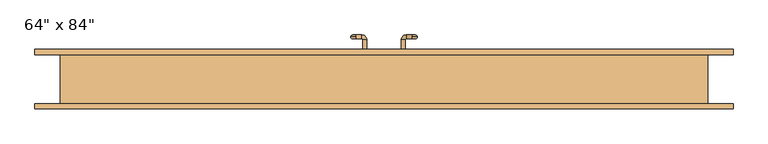
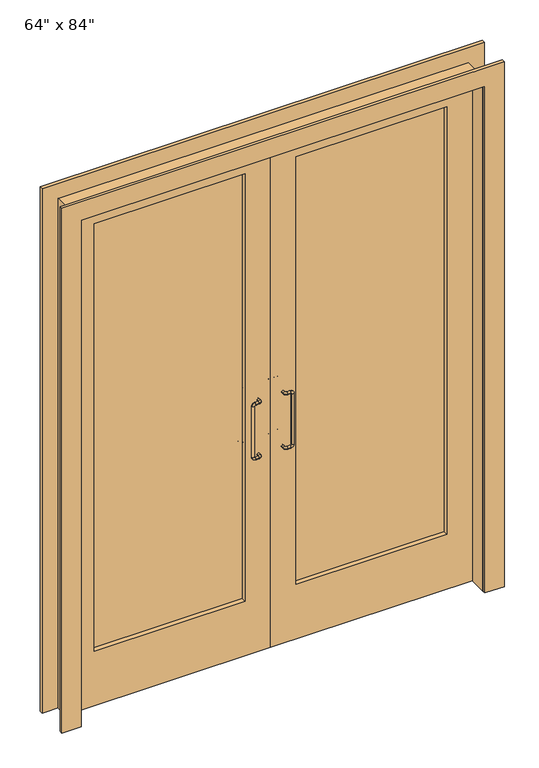
"""IFC4 building model written with IfcOpenShell, lengths in millimetres: door geometry."""

from ifc_helpers import new_model, si_unit, point, frame, origin, place, context, project, spatial, polyline, circle_curve, ellipse_curve, trimmed, outline, extrude, source, transform, mapped, element, save
from ifc_brep_helpers import plane_surface, cylinder_surface, revolved_surface, advanced_brep


def door_99e24913(model_context):
    return source(origin(), model_context, "Body", "SolidModel", [
        advanced_brep(
        [(-83.5, 106.2, 833.5), (-70.5, 106.2, 820.5), (-70.5, 101.2, 825.5), (-70.5, 106.2, 830.5), (-73.5, 106.2, 833.5), (-70.5, 111.2, 825.5), (-73.5, 106.2, 1046.1), (-83.5, 106.2, 1046.1), (-70.5, 106.2, 1049.1), (-70.5, 101.2, 1054.1), (-70.5, 106.2, 1059.1), (-70.5, 111.2, 1054.1), (-43.5, 76.2, 1054.1), (-53.5, 76.2, 1054.1), (-43.5, 99.2, 1054.1), (-53.5, 99.2, 1054.1), (-55.5, 111.2, 1054.1), (-55.5, 101.2, 1054.1), (-43.5, 76.2, 825.5), (-53.5, 76.2, 825.5), (-43.5, 99.2, 825.5), (-53.5, 99.2, 825.5), (-55.5, 111.2, 825.5), (-55.5, 101.2, 825.5)],
        [
            (0, 1, circle_curve(frame((-70.5, 106.2, 833.5), z_axis=(0.0, -1.0, 0.0), x_axis=(0.0, 0.0, -1.0)), 13.0)),
            (1, 2, circle_curve(frame((-70.5, 106.2, 825.5), z_axis=(-1.0, 0.0, 0.0), x_axis=(0.0, 0.0, -1.0)), 5.0)),
            (2, 3, circle_curve(frame((-70.5, 106.2, 825.5), z_axis=(-1.0, 0.0, 0.0), x_axis=(0.0, 0.0, -1.0)), 5.0)),
            (3, 4, circle_curve(frame((-70.5, 106.2, 833.5), z_axis=(0.0, 1.0, 0.0), x_axis=(0.0, 0.0, -1.0)), 3.0)),
            (4, 0, circle_curve(frame((-78.5, 106.2, 833.5), z_axis=(0.0, 0.0, -1.0), x_axis=(-1.0, 0.0, 0.0)), 5.0)),
            (0, 4, circle_curve(frame((-78.5, 106.2, 833.5), z_axis=(0.0, 0.0, -1.0), x_axis=(-1.0, 0.0, 0.0)), 5.0)),
            (3, 5, circle_curve(frame((-70.5, 106.2, 825.5), z_axis=(-1.0, 0.0, 0.0), x_axis=(0.0, 0.0, -1.0)), 5.0)),
            (5, 1, circle_curve(frame((-70.5, 106.2, 825.5), z_axis=(-1.0, 0.0, 0.0), x_axis=(0.0, 0.0, -1.0)), 5.0)),
            (4, 6),
            (6, 7, circle_curve(frame((-78.5, 106.2, 1046.1), z_axis=(0.0, 0.0, -1.0), x_axis=(-1.0, 0.0, 0.0)), 5.0)),
            (7, 0),
            (7, 6, circle_curve(frame((-78.5, 106.2, 1046.1), z_axis=(0.0, 0.0, -1.0), x_axis=(-1.0, 0.0, 0.0)), 5.0)),
            (6, 8, circle_curve(frame((-70.5, 106.2, 1046.1), z_axis=(0.0, 1.0, 0.0), x_axis=(-1.0, 0.0, 0.0)), 3.0)),
            (8, 9, circle_curve(frame((-70.5, 106.2, 1054.1), z_axis=(-1.0, 0.0, 0.0), x_axis=(0.0, 0.0, 1.0)), 5.0)),
            (9, 10, circle_curve(frame((-70.5, 106.2, 1054.1), z_axis=(-1.0, 0.0, 0.0), x_axis=(0.0, 0.0, 1.0)), 5.0)),
            (10, 7, circle_curve(frame((-70.5, 106.2, 1046.1), z_axis=(0.0, -1.0, 0.0), x_axis=(-1.0, 0.0, 0.0)), 13.0)),
            (10, 11, circle_curve(frame((-70.5, 106.2, 1054.1), z_axis=(-1.0, 0.0, 0.0), x_axis=(0.0, 0.0, 1.0)), 5.0)),
            (11, 8, circle_curve(frame((-70.5, 106.2, 1054.1), z_axis=(-1.0, 0.0, 0.0), x_axis=(0.0, 0.0, 1.0)), 5.0)),
            (12, 13, circle_curve(frame((-48.5, 76.2, 1054.1), z_axis=(0.0, -1.0, 0.0), x_axis=(-1.0, 0.0, 0.0)), 5.0)),
            (13, 12, circle_curve(frame((-48.5, 76.2, 1054.1), z_axis=(0.0, -1.0, 0.0), x_axis=(-1.0, 0.0, 0.0)), 5.0)),
            (12, 14),
            (14, 15, circle_curve(frame((-48.5, 99.2, 1054.1), z_axis=(0.0, -1.0, 0.0), x_axis=(-1.0, 0.0, 0.0)), 5.0)),
            (15, 13),
            (15, 14, circle_curve(frame((-48.5, 99.2, 1054.1), z_axis=(0.0, -1.0, 0.0), x_axis=(-1.0, 0.0, 0.0)), 5.0)),
            (14, 16, circle_curve(frame((-55.5, 99.2, 1054.1), z_axis=(0.0, 0.0, 1.0), x_axis=(1.0, 0.0, 0.0)), 12.0)),
            (16, 17, circle_curve(frame((-55.5, 106.2, 1054.1), z_axis=(1.0, 0.0, 0.0), x_axis=(0.0, -1.0, 0.0)), 5.0)),
            (17, 15, circle_curve(frame((-55.5, 99.2, 1054.1), z_axis=(0.0, 0.0, -1.0), x_axis=(1.0, 0.0, 0.0)), 2.0)),
            (17, 16, circle_curve(frame((-55.5, 106.2, 1054.1), z_axis=(1.0, 0.0, 0.0), x_axis=(0.0, -1.0, 0.0)), 5.0)),
            (16, 11),
            (9, 17),
            (18, 19, circle_curve(frame((-48.5, 76.2, 825.5), z_axis=(0.0, -1.0, 0.0), x_axis=(-1.0, 0.0, 0.0)), 5.0)),
            (19, 18, circle_curve(frame((-48.5, 76.2, 825.5), z_axis=(0.0, -1.0, 0.0), x_axis=(-1.0, 0.0, 0.0)), 5.0)),
            (18, 20),
            (20, 21, circle_curve(frame((-48.5, 99.2, 825.5), z_axis=(0.0, -1.0, 0.0), x_axis=(-1.0, 0.0, 0.0)), 5.0)),
            (21, 19),
            (21, 20, circle_curve(frame((-48.5, 99.2, 825.5), z_axis=(0.0, -1.0, 0.0), x_axis=(-1.0, 0.0, 0.0)), 5.0)),
            (20, 22, circle_curve(frame((-55.5, 99.2, 825.5), z_axis=(0.0, 0.0, 1.0), x_axis=(1.0, 0.0, 0.0)), 12.0)),
            (22, 23, circle_curve(frame((-55.5, 106.2, 825.5), z_axis=(1.0, 0.0, 0.0), x_axis=(0.0, -1.0, 0.0)), 5.0)),
            (23, 21, circle_curve(frame((-55.5, 99.2, 825.5), z_axis=(0.0, 0.0, -1.0), x_axis=(1.0, 0.0, 0.0)), 2.0)),
            (23, 22, circle_curve(frame((-55.5, 106.2, 825.5), z_axis=(1.0, 0.0, 0.0), x_axis=(0.0, -1.0, 0.0)), 5.0)),
            (22, 5),
            (2, 23),
        ],
        [
            revolved_surface(trimmed(ellipse_curve(frame((-70.5, 106.2, 825.5), z_axis=(1.0, 0.0, 0.0), x_axis=(0.0, 0.0, -1.0)), 5.0, 5.0), [point((-70.5, 106.2, 830.5))], [point((-70.5, 106.2, 820.5))], True, "CARTESIAN"), (-70.5, 106.2, 833.5), (0.0, 1.0, 0.0)),
            revolved_surface(trimmed(ellipse_curve(frame((-70.5, 106.2, 825.5), z_axis=(1.0, 0.0, 0.0), x_axis=(0.0, 0.0, -1.0)), 5.0, 5.0), [point((-70.5, 106.2, 820.5))], [point((-70.5, 106.2, 830.5))], True, "CARTESIAN"), (-70.5, 106.2, 833.5), (0.0, 1.0, 0.0)),
            cylinder_surface(frame((-78.5, 106.2, 833.5), z_axis=(0.0, 0.0, -1.0), x_axis=(-1.0, 0.0, 0.0)), 5.0),
            revolved_surface(trimmed(ellipse_curve(frame((-78.5, 106.2, 1046.1), z_axis=(0.0, 0.0, -1.0), x_axis=(-1.0, 0.0, 0.0)), 5.0, 5.0), [point((-73.5, 106.2, 1046.1))], [point((-83.5, 106.2, 1046.1))], True, "CARTESIAN"), (-70.5, 106.2, 1046.1), (0.0, 1.0, 0.0)),
            revolved_surface(trimmed(ellipse_curve(frame((-78.5, 106.2, 1046.1), z_axis=(0.0, 0.0, -1.0), x_axis=(-1.0, 0.0, 0.0)), 5.0, 5.0), [point((-83.5, 106.2, 1046.1))], [point((-73.5, 106.2, 1046.1))], True, "CARTESIAN"), (-70.5, 106.2, 1046.1), (0.0, 1.0, 0.0)),
            plane_surface(frame((-48.5, 76.2, 1054.1), z_axis=(0.0, -1.0, 0.0), x_axis=(0.0, 0.0, 1.0))),
            cylinder_surface(frame((-48.5, 76.2, 1054.1), z_axis=(0.0, -1.0, 0.0), x_axis=(-1.0, 0.0, 0.0)), 5.0),
            revolved_surface(trimmed(ellipse_curve(frame((-48.5, 99.2, 1054.1), z_axis=(0.0, -1.0, 0.0), x_axis=(-1.0, 0.0, 0.0)), 5.0, 5.0), [point((-43.5, 99.2, 1054.1))], [point((-53.5, 99.2, 1054.1))], True, "CARTESIAN"), (-55.5, 99.2, 1054.1), (0.0, 0.0, 1.0)),
            revolved_surface(trimmed(ellipse_curve(frame((-48.5, 99.2, 1054.1), z_axis=(0.0, -1.0, 0.0), x_axis=(-1.0, 0.0, 0.0)), 5.0, 5.0), [point((-53.5, 99.2, 1054.1))], [point((-43.5, 99.2, 1054.1))], True, "CARTESIAN"), (-55.5, 99.2, 1054.1), (0.0, 0.0, 1.0)),
            cylinder_surface(frame((-55.5, 106.2, 1054.1), z_axis=(1.0, 0.0, 0.0), x_axis=(0.0, -1.0, 0.0)), 5.0),
            plane_surface(frame((-48.5, 76.2, 825.5), z_axis=(0.0, -1.0, 0.0), x_axis=(0.0, 0.0, 1.0))),
            cylinder_surface(frame((-48.5, 76.2, 825.5), z_axis=(0.0, -1.0, 0.0), x_axis=(-1.0, 0.0, 0.0)), 5.0),
            revolved_surface(trimmed(ellipse_curve(frame((-48.5, 99.2, 825.5), z_axis=(0.0, -1.0, 0.0), x_axis=(-1.0, 0.0, 0.0)), 5.0, 5.0), [point((-43.5, 99.2, 825.5))], [point((-53.5, 99.2, 825.5))], True, "CARTESIAN"), (-55.5, 99.2, 825.5), (0.0, 0.0, 1.0)),
            revolved_surface(trimmed(ellipse_curve(frame((-48.5, 99.2, 825.5), z_axis=(0.0, -1.0, 0.0), x_axis=(-1.0, 0.0, 0.0)), 5.0, 5.0), [point((-53.5, 99.2, 825.5))], [point((-43.5, 99.2, 825.5))], True, "CARTESIAN"), (-55.5, 99.2, 825.5), (0.0, 0.0, 1.0)),
            cylinder_surface(frame((-55.5, 106.2, 825.5), z_axis=(1.0, 0.0, 0.0), x_axis=(0.0, -1.0, 0.0)), 5.0),
        ],
        [
            (0, [[1, 2, 3, 4, 5]]),
            (1, [[-1, 6, -4, 7, 8]]),
            (2, [[-5, 9, 10, 11]]),
            (2, [[-6, -11, 12, -9]]),
            (3, [[-10, 13, 14, 15, 16]]),
            (4, [[-12, -16, 17, 18, -13]]),
            (5, [[19, 20]]),
            (6, [[-19, 21, 22, 23]]),
            (6, [[-20, -23, 24, -21]]),
            (7, [[-22, 25, 26, 27]]),
            (8, [[-24, -27, 28, -25]]),
            (9, [[-26, 29, -17, -15, 30]]),
            (9, [[-28, -30, -14, -18, -29]]),
            (10, [[31, 32]]),
            (11, [[-31, 33, 34, 35]]),
            (11, [[-32, -35, 36, -33]]),
            (12, [[-34, 37, 38, 39]]),
            (13, [[-36, -39, 40, -37]]),
            (14, [[-38, 41, -7, -3, 42]]),
            (14, [[-40, -42, -2, -8, -41]]),
        ],
    ),
        advanced_brep(
        [(83.5, 106.2, 833.5), (73.5, 106.2, 833.5), (70.5, 106.2, 830.5), (70.5, 101.2, 825.5), (70.5, 106.2, 820.5), (70.5, 111.2, 825.5), (83.5, 106.2, 1046.1), (73.5, 106.2, 1046.1), (70.5, 106.2, 1059.1), (70.5, 101.2, 1054.1), (70.5, 106.2, 1049.1), (70.5, 111.2, 1054.1), (43.5, 76.2, 1054.1), (53.5, 76.2, 1054.1), (53.5, 99.2, 1054.1), (43.5, 99.2, 1054.1), (55.5, 101.2, 1054.1), (55.5, 111.2, 1054.1), (43.5, 76.2, 825.5), (53.5, 76.2, 825.5), (53.5, 99.2, 825.5), (43.5, 99.2, 825.5), (55.5, 101.2, 825.5), (55.5, 111.2, 825.5)],
        [
            (0, 1, circle_curve(frame((78.5, 106.2, 833.5), z_axis=(0.0, 0.0, -1.0), x_axis=(1.0, 0.0, 0.0)), 5.0)),
            (1, 2, circle_curve(frame((70.5, 106.2, 833.5), z_axis=(0.0, 1.0, 0.0), x_axis=(0.0, 0.0, -1.0)), 3.0)),
            (2, 3, circle_curve(frame((70.5, 106.2, 825.5), z_axis=(1.0, 0.0, 0.0), x_axis=(0.0, 0.0, -1.0)), 5.0)),
            (3, 4, circle_curve(frame((70.5, 106.2, 825.5), z_axis=(1.0, 0.0, 0.0), x_axis=(0.0, 0.0, -1.0)), 5.0)),
            (4, 0, circle_curve(frame((70.5, 106.2, 833.5), z_axis=(0.0, -1.0, 0.0), x_axis=(0.0, 0.0, -1.0)), 13.0)),
            (4, 5, circle_curve(frame((70.5, 106.2, 825.5), z_axis=(1.0, 0.0, 0.0), x_axis=(0.0, 0.0, -1.0)), 5.0)),
            (5, 2, circle_curve(frame((70.5, 106.2, 825.5), z_axis=(1.0, 0.0, 0.0), x_axis=(0.0, 0.0, -1.0)), 5.0)),
            (1, 0, circle_curve(frame((78.5, 106.2, 833.5), z_axis=(0.0, 0.0, -1.0), x_axis=(1.0, 0.0, 0.0)), 5.0)),
            (0, 6),
            (6, 7, circle_curve(frame((78.5, 106.2, 1046.1), z_axis=(0.0, 0.0, -1.0), x_axis=(1.0, 0.0, 0.0)), 5.0)),
            (7, 1),
            (7, 6, circle_curve(frame((78.5, 106.2, 1046.1), z_axis=(0.0, 0.0, -1.0), x_axis=(1.0, 0.0, 0.0)), 5.0)),
            (6, 8, circle_curve(frame((70.5, 106.2, 1046.1), z_axis=(0.0, -1.0, 0.0), x_axis=(1.0, 0.0, 0.0)), 13.0)),
            (8, 9, circle_curve(frame((70.5, 106.2, 1054.1), z_axis=(1.0, 0.0, 0.0), x_axis=(0.0, 0.0, 1.0)), 5.0)),
            (9, 10, circle_curve(frame((70.5, 106.2, 1054.1), z_axis=(1.0, 0.0, 0.0), x_axis=(0.0, 0.0, 1.0)), 5.0)),
            (10, 7, circle_curve(frame((70.5, 106.2, 1046.1), z_axis=(0.0, 1.0, 0.0), x_axis=(1.0, 0.0, 0.0)), 3.0)),
            (10, 11, circle_curve(frame((70.5, 106.2, 1054.1), z_axis=(1.0, 0.0, 0.0), x_axis=(0.0, 0.0, 1.0)), 5.0)),
            (11, 8, circle_curve(frame((70.5, 106.2, 1054.1), z_axis=(1.0, 0.0, 0.0), x_axis=(0.0, 0.0, 1.0)), 5.0)),
            (12, 13, circle_curve(frame((48.5, 76.2, 1054.1), z_axis=(0.0, -1.0, 0.0), x_axis=(1.0, 0.0, 0.0)), 5.0)),
            (13, 12, circle_curve(frame((48.5, 76.2, 1054.1), z_axis=(0.0, -1.0, 0.0), x_axis=(1.0, 0.0, 0.0)), 5.0)),
            (13, 14),
            (14, 15, circle_curve(frame((48.5, 99.2, 1054.1), z_axis=(0.0, -1.0, 0.0), x_axis=(1.0, 0.0, 0.0)), 5.0)),
            (15, 12),
            (15, 14, circle_curve(frame((48.5, 99.2, 1054.1), z_axis=(0.0, -1.0, 0.0), x_axis=(1.0, 0.0, 0.0)), 5.0)),
            (14, 16, circle_curve(frame((55.5, 99.2, 1054.1), z_axis=(0.0, 0.0, -1.0), x_axis=(-1.0, 0.0, 0.0)), 2.0)),
            (16, 17, circle_curve(frame((55.5, 106.2, 1054.1), z_axis=(-1.0, 0.0, 0.0), x_axis=(0.0, -1.0, 0.0)), 5.0)),
            (17, 15, circle_curve(frame((55.5, 99.2, 1054.1), z_axis=(0.0, 0.0, 1.0), x_axis=(-1.0, 0.0, 0.0)), 12.0)),
            (17, 16, circle_curve(frame((55.5, 106.2, 1054.1), z_axis=(-1.0, 0.0, 0.0), x_axis=(0.0, -1.0, 0.0)), 5.0)),
            (16, 9),
            (11, 17),
            (18, 19, circle_curve(frame((48.5, 76.2, 825.5), z_axis=(0.0, -1.0, 0.0), x_axis=(1.0, 0.0, 0.0)), 5.0)),
            (19, 18, circle_curve(frame((48.5, 76.2, 825.5), z_axis=(0.0, -1.0, 0.0), x_axis=(1.0, 0.0, 0.0)), 5.0)),
            (19, 20),
            (20, 21, circle_curve(frame((48.5, 99.2, 825.5), z_axis=(0.0, -1.0, 0.0), x_axis=(1.0, 0.0, 0.0)), 5.0)),
            (21, 18),
            (21, 20, circle_curve(frame((48.5, 99.2, 825.5), z_axis=(0.0, -1.0, 0.0), x_axis=(1.0, 0.0, 0.0)), 5.0)),
            (20, 22, circle_curve(frame((55.5, 99.2, 825.5), z_axis=(0.0, 0.0, -1.0), x_axis=(-1.0, 0.0, 0.0)), 2.0)),
            (22, 23, circle_curve(frame((55.5, 106.2, 825.5), z_axis=(-1.0, 0.0, 0.0), x_axis=(0.0, -1.0, 0.0)), 5.0)),
            (23, 21, circle_curve(frame((55.5, 99.2, 825.5), z_axis=(0.0, 0.0, 1.0), x_axis=(-1.0, 0.0, 0.0)), 12.0)),
            (23, 22, circle_curve(frame((55.5, 106.2, 825.5), z_axis=(-1.0, 0.0, 0.0), x_axis=(0.0, -1.0, 0.0)), 5.0)),
            (22, 3),
            (5, 23),
        ],
        [
            revolved_surface(trimmed(ellipse_curve(frame((70.5, 106.2, 825.5), z_axis=(1.0, 0.0, 0.0), x_axis=(0.0, 0.0, -1.0)), 5.0, 5.0), [point((70.5, 106.2, 830.5))], [point((70.5, 106.2, 820.5))], True, "CARTESIAN"), (70.5, 106.2, 833.5), (0.0, 1.0, 0.0)),
            revolved_surface(trimmed(ellipse_curve(frame((70.5, 106.2, 825.5), z_axis=(1.0, 0.0, 0.0), x_axis=(0.0, 0.0, -1.0)), 5.0, 5.0), [point((70.5, 106.2, 820.5))], [point((70.5, 106.2, 830.5))], True, "CARTESIAN"), (70.5, 106.2, 833.5), (0.0, 1.0, 0.0)),
            cylinder_surface(frame((78.5, 106.2, 833.5), z_axis=(0.0, 0.0, -1.0), x_axis=(1.0, 0.0, 0.0)), 5.0),
            revolved_surface(trimmed(ellipse_curve(frame((78.5, 106.2, 1046.1), z_axis=(0.0, 0.0, 1.0), x_axis=(1.0, 0.0, 0.0)), 5.0, 5.0), [point((73.5, 106.2, 1046.1))], [point((83.5, 106.2, 1046.1))], True, "CARTESIAN"), (70.5, 106.2, 1046.1), (0.0, 1.0, 0.0)),
            revolved_surface(trimmed(ellipse_curve(frame((78.5, 106.2, 1046.1), z_axis=(0.0, 0.0, 1.0), x_axis=(1.0, 0.0, 0.0)), 5.0, 5.0), [point((83.5, 106.2, 1046.1))], [point((73.5, 106.2, 1046.1))], True, "CARTESIAN"), (70.5, 106.2, 1046.1), (0.0, 1.0, 0.0)),
            plane_surface(frame((48.5, 76.2, 1054.1), z_axis=(0.0, -1.0, 0.0), x_axis=(0.0, 0.0, 1.0))),
            cylinder_surface(frame((48.5, 76.2, 1054.1), z_axis=(0.0, -1.0, 0.0), x_axis=(1.0, 0.0, 0.0)), 5.0),
            revolved_surface(trimmed(ellipse_curve(frame((48.5, 99.2, 1054.1), z_axis=(0.0, 1.0, 0.0), x_axis=(1.0, 0.0, 0.0)), 5.0, 5.0), [point((43.5, 99.2, 1054.1))], [point((53.5, 99.2, 1054.1))], True, "CARTESIAN"), (55.5, 99.2, 1054.1), (0.0, 0.0, 1.0)),
            revolved_surface(trimmed(ellipse_curve(frame((48.5, 99.2, 1054.1), z_axis=(0.0, 1.0, 0.0), x_axis=(1.0, 0.0, 0.0)), 5.0, 5.0), [point((53.5, 99.2, 1054.1))], [point((43.5, 99.2, 1054.1))], True, "CARTESIAN"), (55.5, 99.2, 1054.1), (0.0, 0.0, 1.0)),
            cylinder_surface(frame((55.5, 106.2, 1054.1), z_axis=(-1.0, 0.0, 0.0), x_axis=(0.0, -1.0, 0.0)), 5.0),
            plane_surface(frame((48.5, 76.2, 825.5), z_axis=(0.0, -1.0, 0.0), x_axis=(0.0, 0.0, 1.0))),
            cylinder_surface(frame((48.5, 76.2, 825.5), z_axis=(0.0, -1.0, 0.0), x_axis=(1.0, 0.0, 0.0)), 5.0),
            revolved_surface(trimmed(ellipse_curve(frame((48.5, 99.2, 825.5), z_axis=(0.0, 1.0, 0.0), x_axis=(1.0, 0.0, 0.0)), 5.0, 5.0), [point((43.5, 99.2, 825.5))], [point((53.5, 99.2, 825.5))], True, "CARTESIAN"), (55.5, 99.2, 825.5), (0.0, 0.0, 1.0)),
            revolved_surface(trimmed(ellipse_curve(frame((48.5, 99.2, 825.5), z_axis=(0.0, 1.0, 0.0), x_axis=(1.0, 0.0, 0.0)), 5.0, 5.0), [point((53.5, 99.2, 825.5))], [point((43.5, 99.2, 825.5))], True, "CARTESIAN"), (55.5, 99.2, 825.5), (0.0, 0.0, 1.0)),
            cylinder_surface(frame((55.5, 106.2, 825.5), z_axis=(-1.0, 0.0, 0.0), x_axis=(0.0, -1.0, 0.0)), 5.0),
        ],
        [
            (0, [[1, 2, 3, 4, 5]]),
            (1, [[6, 7, -2, 8, -5]]),
            (2, [[9, 10, 11, -1]]),
            (2, [[-11, 12, -9, -8]]),
            (3, [[13, 14, 15, 16, -10]]),
            (4, [[-16, 17, 18, -13, -12]]),
            (5, [[19, 20]]),
            (6, [[21, 22, 23, -20]]),
            (6, [[-23, 24, -21, -19]]),
            (7, [[25, 26, 27, -22]]),
            (8, [[-27, 28, -25, -24]]),
            (9, [[29, -14, -18, 30, -26]]),
            (9, [[-30, -17, -15, -29, -28]]),
            (10, [[31, 32]]),
            (11, [[33, 34, 35, -32]]),
            (11, [[-35, 36, -33, -31]]),
            (12, [[37, 38, 39, -34]]),
            (13, [[-39, 40, -37, -36]]),
            (14, [[41, -3, -7, 42, -38]]),
            (14, [[-42, -6, -4, -41, -40]]),
        ],
    ),
        advanced_brep(
        [(-83.5, -4.6, 833.5), (-73.5, -4.6, 833.5), (-70.5, -4.6, 830.5), (-70.5, 0.4, 825.5), (-70.5, -4.6, 820.5), (-70.5, -9.6, 825.5), (-83.5, -4.6, 1046.1), (-73.5, -4.6, 1046.1), (-70.5, -4.6, 1059.1), (-70.5, 0.4, 1054.1), (-70.5, -4.6, 1049.1), (-70.5, -9.6, 1054.1), (-43.5, 25.4, 1054.1), (-53.5, 25.4, 1054.1), (-53.5, 2.4, 1054.1), (-43.5, 2.4, 1054.1), (-55.5, 0.4, 1054.1), (-55.5, -9.6, 1054.1), (-43.5, 25.4, 825.5), (-53.5, 25.4, 825.5), (-53.5, 2.4, 825.5), (-43.5, 2.4, 825.5), (-55.5, 0.4, 825.5), (-55.5, -9.6, 825.5)],
        [
            (0, 1, circle_curve(frame((-78.5, -4.6, 833.5), z_axis=(0.0, 0.0, -1.0), x_axis=(-1.0, 0.0, 0.0)), 5.0)),
            (1, 2, circle_curve(frame((-70.5, -4.6, 833.5), z_axis=(0.0, -1.0, 0.0), x_axis=(0.0, 0.0, -1.0)), 3.0)),
            (2, 3, circle_curve(frame((-70.5, -4.6, 825.5), z_axis=(-1.0, 0.0, 0.0), x_axis=(0.0, 0.0, -1.0)), 5.0)),
            (3, 4, circle_curve(frame((-70.5, -4.6, 825.5), z_axis=(-1.0, 0.0, 0.0), x_axis=(0.0, 0.0, -1.0)), 5.0)),
            (4, 0, circle_curve(frame((-70.5, -4.6, 833.5), z_axis=(0.0, 1.0, 0.0), x_axis=(0.0, 0.0, -1.0)), 13.0)),
            (4, 5, circle_curve(frame((-70.5, -4.6, 825.5), z_axis=(-1.0, 0.0, 0.0), x_axis=(0.0, 0.0, -1.0)), 5.0)),
            (5, 2, circle_curve(frame((-70.5, -4.6, 825.5), z_axis=(-1.0, 0.0, 0.0), x_axis=(0.0, 0.0, -1.0)), 5.0)),
            (1, 0, circle_curve(frame((-78.5, -4.6, 833.5), z_axis=(0.0, 0.0, -1.0), x_axis=(-1.0, 0.0, 0.0)), 5.0)),
            (0, 6),
            (6, 7, circle_curve(frame((-78.5, -4.6, 1046.1), z_axis=(0.0, 0.0, -1.0), x_axis=(-1.0, 0.0, 0.0)), 5.0)),
            (7, 1),
            (7, 6, circle_curve(frame((-78.5, -4.6, 1046.1), z_axis=(0.0, 0.0, -1.0), x_axis=(-1.0, 0.0, 0.0)), 5.0)),
            (6, 8, circle_curve(frame((-70.5, -4.6, 1046.1), z_axis=(0.0, 1.0, 0.0), x_axis=(-1.0, 0.0, 0.0)), 13.0)),
            (8, 9, circle_curve(frame((-70.5, -4.6, 1054.1), z_axis=(-1.0, 0.0, 0.0), x_axis=(0.0, 0.0, 1.0)), 5.0)),
            (9, 10, circle_curve(frame((-70.5, -4.6, 1054.1), z_axis=(-1.0, 0.0, 0.0), x_axis=(0.0, 0.0, 1.0)), 5.0)),
            (10, 7, circle_curve(frame((-70.5, -4.6, 1046.1), z_axis=(0.0, -1.0, 0.0), x_axis=(-1.0, 0.0, 0.0)), 3.0)),
            (10, 11, circle_curve(frame((-70.5, -4.6, 1054.1), z_axis=(-1.0, 0.0, 0.0), x_axis=(0.0, 0.0, 1.0)), 5.0)),
            (11, 8, circle_curve(frame((-70.5, -4.6, 1054.1), z_axis=(-1.0, 0.0, 0.0), x_axis=(0.0, 0.0, 1.0)), 5.0)),
            (12, 13, circle_curve(frame((-48.5, 25.4, 1054.1), z_axis=(0.0, 1.0, 0.0), x_axis=(-1.0, 0.0, 0.0)), 5.0)),
            (13, 12, circle_curve(frame((-48.5, 25.4, 1054.1), z_axis=(0.0, 1.0, 0.0), x_axis=(-1.0, 0.0, 0.0)), 5.0)),
            (13, 14),
            (14, 15, circle_curve(frame((-48.5, 2.4, 1054.1), z_axis=(0.0, 1.0, 0.0), x_axis=(-1.0, 0.0, 0.0)), 5.0)),
            (15, 12),
            (15, 14, circle_curve(frame((-48.5, 2.4, 1054.1), z_axis=(0.0, 1.0, 0.0), x_axis=(-1.0, 0.0, 0.0)), 5.0)),
            (14, 16, circle_curve(frame((-55.5, 2.4, 1054.1), z_axis=(0.0, 0.0, -1.0), x_axis=(1.0, 0.0, 0.0)), 2.0)),
            (16, 17, circle_curve(frame((-55.5, -4.6, 1054.1), z_axis=(1.0, 0.0, 0.0), x_axis=(0.0, 1.0, 0.0)), 5.0)),
            (17, 15, circle_curve(frame((-55.5, 2.4, 1054.1), z_axis=(0.0, 0.0, 1.0), x_axis=(1.0, 0.0, 0.0)), 12.0)),
            (17, 16, circle_curve(frame((-55.5, -4.6, 1054.1), z_axis=(1.0, 0.0, 0.0), x_axis=(0.0, 1.0, 0.0)), 5.0)),
            (16, 9),
            (11, 17),
            (18, 19, circle_curve(frame((-48.5, 25.4, 825.5), z_axis=(0.0, 1.0, 0.0), x_axis=(-1.0, 0.0, 0.0)), 5.0)),
            (19, 18, circle_curve(frame((-48.5, 25.4, 825.5), z_axis=(0.0, 1.0, 0.0), x_axis=(-1.0, 0.0, 0.0)), 5.0)),
            (19, 20),
            (20, 21, circle_curve(frame((-48.5, 2.4, 825.5), z_axis=(0.0, 1.0, 0.0), x_axis=(-1.0, 0.0, 0.0)), 5.0)),
            (21, 18),
            (21, 20, circle_curve(frame((-48.5, 2.4, 825.5), z_axis=(0.0, 1.0, 0.0), x_axis=(-1.0, 0.0, 0.0)), 5.0)),
            (20, 22, circle_curve(frame((-55.5, 2.4, 825.5), z_axis=(0.0, 0.0, -1.0), x_axis=(1.0, 0.0, 0.0)), 2.0)),
            (22, 23, circle_curve(frame((-55.5, -4.6, 825.5), z_axis=(1.0, 0.0, 0.0), x_axis=(0.0, 1.0, 0.0)), 5.0)),
            (23, 21, circle_curve(frame((-55.5, 2.4, 825.5), z_axis=(0.0, 0.0, 1.0), x_axis=(1.0, 0.0, 0.0)), 12.0)),
            (23, 22, circle_curve(frame((-55.5, -4.6, 825.5), z_axis=(1.0, 0.0, 0.0), x_axis=(0.0, 1.0, 0.0)), 5.0)),
            (22, 3),
            (5, 23),
        ],
        [
            revolved_surface(trimmed(ellipse_curve(frame((-70.5, -4.6, 825.5), z_axis=(-1.0, 0.0, 0.0), x_axis=(0.0, 0.0, -1.0)), 5.0, 5.0), [point((-70.5, -4.6, 830.5))], [point((-70.5, -4.6, 820.5))], True, "CARTESIAN"), (-70.5, -4.6, 833.5), (0.0, -1.0, 0.0)),
            revolved_surface(trimmed(ellipse_curve(frame((-70.5, -4.6, 825.5), z_axis=(-1.0, 0.0, 0.0), x_axis=(0.0, 0.0, -1.0)), 5.0, 5.0), [point((-70.5, -4.6, 820.5))], [point((-70.5, -4.6, 830.5))], True, "CARTESIAN"), (-70.5, -4.6, 833.5), (0.0, -1.0, 0.0)),
            cylinder_surface(frame((-78.5, -4.6, 833.5), z_axis=(0.0, 0.0, -1.0), x_axis=(-1.0, 0.0, 0.0)), 5.0),
            revolved_surface(trimmed(ellipse_curve(frame((-78.5, -4.6, 1046.1), z_axis=(0.0, 0.0, 1.0), x_axis=(-1.0, 0.0, 0.0)), 5.0, 5.0), [point((-73.5, -4.6, 1046.1))], [point((-83.5, -4.6, 1046.1))], True, "CARTESIAN"), (-70.5, -4.6, 1046.1), (0.0, -1.0, 0.0)),
            revolved_surface(trimmed(ellipse_curve(frame((-78.5, -4.6, 1046.1), z_axis=(0.0, 0.0, 1.0), x_axis=(-1.0, 0.0, 0.0)), 5.0, 5.0), [point((-83.5, -4.6, 1046.1))], [point((-73.5, -4.6, 1046.1))], True, "CARTESIAN"), (-70.5, -4.6, 1046.1), (0.0, -1.0, 0.0)),
            plane_surface(frame((-48.5, 25.4, 1054.1), z_axis=(0.0, 1.0, 0.0), x_axis=(0.0, 0.0, 1.0))),
            cylinder_surface(frame((-48.5, 25.4, 1054.1), z_axis=(0.0, 1.0, 0.0), x_axis=(-1.0, 0.0, 0.0)), 5.0),
            revolved_surface(trimmed(ellipse_curve(frame((-48.5, 2.4, 1054.1), z_axis=(0.0, -1.0, 0.0), x_axis=(-1.0, 0.0, 0.0)), 5.0, 5.0), [point((-43.5, 2.4, 1054.1))], [point((-53.5, 2.4, 1054.1))], True, "CARTESIAN"), (-55.5, 2.4, 1054.1), (0.0, 0.0, 1.0)),
            revolved_surface(trimmed(ellipse_curve(frame((-48.5, 2.4, 1054.1), z_axis=(0.0, -1.0, 0.0), x_axis=(-1.0, 0.0, 0.0)), 5.0, 5.0), [point((-53.5, 2.4, 1054.1))], [point((-43.5, 2.4, 1054.1))], True, "CARTESIAN"), (-55.5, 2.4, 1054.1), (0.0, 0.0, 1.0)),
            cylinder_surface(frame((-55.5, -4.6, 1054.1), z_axis=(1.0, 0.0, 0.0), x_axis=(0.0, 1.0, 0.0)), 5.0),
            plane_surface(frame((-48.5, 25.4, 825.5), z_axis=(0.0, 1.0, 0.0), x_axis=(0.0, 0.0, 1.0))),
            cylinder_surface(frame((-48.5, 25.4, 825.5), z_axis=(0.0, 1.0, 0.0), x_axis=(-1.0, 0.0, 0.0)), 5.0),
            revolved_surface(trimmed(ellipse_curve(frame((-48.5, 2.4, 825.5), z_axis=(0.0, -1.0, 0.0), x_axis=(-1.0, 0.0, 0.0)), 5.0, 5.0), [point((-43.5, 2.4, 825.5))], [point((-53.5, 2.4, 825.5))], True, "CARTESIAN"), (-55.5, 2.4, 825.5), (0.0, 0.0, 1.0)),
            revolved_surface(trimmed(ellipse_curve(frame((-48.5, 2.4, 825.5), z_axis=(0.0, -1.0, 0.0), x_axis=(-1.0, 0.0, 0.0)), 5.0, 5.0), [point((-53.5, 2.4, 825.5))], [point((-43.5, 2.4, 825.5))], True, "CARTESIAN"), (-55.5, 2.4, 825.5), (0.0, 0.0, 1.0)),
            cylinder_surface(frame((-55.5, -4.6, 825.5), z_axis=(1.0, 0.0, 0.0), x_axis=(0.0, 1.0, 0.0)), 5.0),
        ],
        [
            (0, [[1, 2, 3, 4, 5]]),
            (1, [[6, 7, -2, 8, -5]]),
            (2, [[9, 10, 11, -1]]),
            (2, [[-11, 12, -9, -8]]),
            (3, [[13, 14, 15, 16, -10]]),
            (4, [[-16, 17, 18, -13, -12]]),
            (5, [[19, 20]]),
            (6, [[21, 22, 23, -20]]),
            (6, [[-23, 24, -21, -19]]),
            (7, [[25, 26, 27, -22]]),
            (8, [[-27, 28, -25, -24]]),
            (9, [[29, -14, -18, 30, -26]]),
            (9, [[-30, -17, -15, -29, -28]]),
            (10, [[31, 32]]),
            (11, [[33, 34, 35, -32]]),
            (11, [[-35, 36, -33, -31]]),
            (12, [[37, 38, 39, -34]]),
            (13, [[-39, 40, -37, -36]]),
            (14, [[41, -3, -7, 42, -38]]),
            (14, [[-42, -6, -4, -41, -40]]),
        ],
    ),
        advanced_brep(
        [(83.5, -4.6, 833.5), (70.5, -4.6, 820.5), (70.5, 0.4, 825.5), (70.5, -4.6, 830.5), (73.5, -4.6, 833.5), (70.5, -9.6, 825.5), (73.5, -4.6, 1046.1), (83.5, -4.6, 1046.1), (70.5, -4.6, 1049.1), (70.5, 0.4, 1054.1), (70.5, -4.6, 1059.1), (70.5, -9.6, 1054.1), (43.5, 25.4, 1054.1), (53.5, 25.4, 1054.1), (43.5, 2.4, 1054.1), (53.5, 2.4, 1054.1), (55.5, -9.6, 1054.1), (55.5, 0.4, 1054.1), (43.5, 25.4, 825.5), (53.5, 25.4, 825.5), (43.5, 2.4, 825.5), (53.5, 2.4, 825.5), (55.5, -9.6, 825.5), (55.5, 0.4, 825.5)],
        [
            (0, 1, circle_curve(frame((70.5, -4.6, 833.5), z_axis=(0.0, 1.0, 0.0), x_axis=(0.0, 0.0, -1.0)), 13.0)),
            (1, 2, circle_curve(frame((70.5, -4.6, 825.5), z_axis=(1.0, 0.0, 0.0), x_axis=(0.0, 0.0, -1.0)), 5.0)),
            (2, 3, circle_curve(frame((70.5, -4.6, 825.5), z_axis=(1.0, 0.0, 0.0), x_axis=(0.0, 0.0, -1.0)), 5.0)),
            (3, 4, circle_curve(frame((70.5, -4.6, 833.5), z_axis=(0.0, -1.0, 0.0), x_axis=(0.0, 0.0, -1.0)), 3.0)),
            (4, 0, circle_curve(frame((78.5, -4.6, 833.5), z_axis=(0.0, 0.0, -1.0), x_axis=(1.0, 0.0, 0.0)), 5.0)),
            (0, 4, circle_curve(frame((78.5, -4.6, 833.5), z_axis=(0.0, 0.0, -1.0), x_axis=(1.0, 0.0, 0.0)), 5.0)),
            (3, 5, circle_curve(frame((70.5, -4.6, 825.5), z_axis=(1.0, 0.0, 0.0), x_axis=(0.0, 0.0, -1.0)), 5.0)),
            (5, 1, circle_curve(frame((70.5, -4.6, 825.5), z_axis=(1.0, 0.0, 0.0), x_axis=(0.0, 0.0, -1.0)), 5.0)),
            (4, 6),
            (6, 7, circle_curve(frame((78.5, -4.6, 1046.1), z_axis=(0.0, 0.0, -1.0), x_axis=(1.0, 0.0, 0.0)), 5.0)),
            (7, 0),
            (7, 6, circle_curve(frame((78.5, -4.6, 1046.1), z_axis=(0.0, 0.0, -1.0), x_axis=(1.0, 0.0, 0.0)), 5.0)),
            (6, 8, circle_curve(frame((70.5, -4.6, 1046.1), z_axis=(0.0, -1.0, 0.0), x_axis=(1.0, 0.0, 0.0)), 3.0)),
            (8, 9, circle_curve(frame((70.5, -4.6, 1054.1), z_axis=(1.0, 0.0, 0.0), x_axis=(0.0, 0.0, 1.0)), 5.0)),
            (9, 10, circle_curve(frame((70.5, -4.6, 1054.1), z_axis=(1.0, 0.0, 0.0), x_axis=(0.0, 0.0, 1.0)), 5.0)),
            (10, 7, circle_curve(frame((70.5, -4.6, 1046.1), z_axis=(0.0, 1.0, 0.0), x_axis=(1.0, 0.0, 0.0)), 13.0)),
            (10, 11, circle_curve(frame((70.5, -4.6, 1054.1), z_axis=(1.0, 0.0, 0.0), x_axis=(0.0, 0.0, 1.0)), 5.0)),
            (11, 8, circle_curve(frame((70.5, -4.6, 1054.1), z_axis=(1.0, 0.0, 0.0), x_axis=(0.0, 0.0, 1.0)), 5.0)),
            (12, 13, circle_curve(frame((48.5, 25.4, 1054.1), z_axis=(0.0, 1.0, 0.0), x_axis=(1.0, 0.0, 0.0)), 5.0)),
            (13, 12, circle_curve(frame((48.5, 25.4, 1054.1), z_axis=(0.0, 1.0, 0.0), x_axis=(1.0, 0.0, 0.0)), 5.0)),
            (12, 14),
            (14, 15, circle_curve(frame((48.5, 2.4, 1054.1), z_axis=(0.0, 1.0, 0.0), x_axis=(1.0, 0.0, 0.0)), 5.0)),
            (15, 13),
            (15, 14, circle_curve(frame((48.5, 2.4, 1054.1), z_axis=(0.0, 1.0, 0.0), x_axis=(1.0, 0.0, 0.0)), 5.0)),
            (14, 16, circle_curve(frame((55.5, 2.4, 1054.1), z_axis=(0.0, 0.0, 1.0), x_axis=(-1.0, 0.0, 0.0)), 12.0)),
            (16, 17, circle_curve(frame((55.5, -4.6, 1054.1), z_axis=(-1.0, 0.0, 0.0), x_axis=(0.0, 1.0, 0.0)), 5.0)),
            (17, 15, circle_curve(frame((55.5, 2.4, 1054.1), z_axis=(0.0, 0.0, -1.0), x_axis=(-1.0, 0.0, 0.0)), 2.0)),
            (17, 16, circle_curve(frame((55.5, -4.6, 1054.1), z_axis=(-1.0, 0.0, 0.0), x_axis=(0.0, 1.0, 0.0)), 5.0)),
            (16, 11),
            (9, 17),
            (18, 19, circle_curve(frame((48.5, 25.4, 825.5), z_axis=(0.0, 1.0, 0.0), x_axis=(1.0, 0.0, 0.0)), 5.0)),
            (19, 18, circle_curve(frame((48.5, 25.4, 825.5), z_axis=(0.0, 1.0, 0.0), x_axis=(1.0, 0.0, 0.0)), 5.0)),
            (18, 20),
            (20, 21, circle_curve(frame((48.5, 2.4, 825.5), z_axis=(0.0, 1.0, 0.0), x_axis=(1.0, 0.0, 0.0)), 5.0)),
            (21, 19),
            (21, 20, circle_curve(frame((48.5, 2.4, 825.5), z_axis=(0.0, 1.0, 0.0), x_axis=(1.0, 0.0, 0.0)), 5.0)),
            (20, 22, circle_curve(frame((55.5, 2.4, 825.5), z_axis=(0.0, 0.0, 1.0), x_axis=(-1.0, 0.0, 0.0)), 12.0)),
            (22, 23, circle_curve(frame((55.5, -4.6, 825.5), z_axis=(-1.0, 0.0, 0.0), x_axis=(0.0, 1.0, 0.0)), 5.0)),
            (23, 21, circle_curve(frame((55.5, 2.4, 825.5), z_axis=(0.0, 0.0, -1.0), x_axis=(-1.0, 0.0, 0.0)), 2.0)),
            (23, 22, circle_curve(frame((55.5, -4.6, 825.5), z_axis=(-1.0, 0.0, 0.0), x_axis=(0.0, 1.0, 0.0)), 5.0)),
            (22, 5),
            (2, 23),
        ],
        [
            revolved_surface(trimmed(ellipse_curve(frame((70.5, -4.6, 825.5), z_axis=(-1.0, 0.0, 0.0), x_axis=(0.0, 0.0, -1.0)), 5.0, 5.0), [point((70.5, -4.6, 830.5))], [point((70.5, -4.6, 820.5))], True, "CARTESIAN"), (70.5, -4.6, 833.5), (0.0, -1.0, 0.0)),
            revolved_surface(trimmed(ellipse_curve(frame((70.5, -4.6, 825.5), z_axis=(-1.0, 0.0, 0.0), x_axis=(0.0, 0.0, -1.0)), 5.0, 5.0), [point((70.5, -4.6, 820.5))], [point((70.5, -4.6, 830.5))], True, "CARTESIAN"), (70.5, -4.6, 833.5), (0.0, -1.0, 0.0)),
            cylinder_surface(frame((78.5, -4.6, 833.5), z_axis=(0.0, 0.0, -1.0), x_axis=(1.0, 0.0, 0.0)), 5.0),
            revolved_surface(trimmed(ellipse_curve(frame((78.5, -4.6, 1046.1), z_axis=(0.0, 0.0, -1.0), x_axis=(1.0, 0.0, 0.0)), 5.0, 5.0), [point((73.5, -4.6, 1046.1))], [point((83.5, -4.6, 1046.1))], True, "CARTESIAN"), (70.5, -4.6, 1046.1), (0.0, -1.0, 0.0)),
            revolved_surface(trimmed(ellipse_curve(frame((78.5, -4.6, 1046.1), z_axis=(0.0, 0.0, -1.0), x_axis=(1.0, 0.0, 0.0)), 5.0, 5.0), [point((83.5, -4.6, 1046.1))], [point((73.5, -4.6, 1046.1))], True, "CARTESIAN"), (70.5, -4.6, 1046.1), (0.0, -1.0, 0.0)),
            plane_surface(frame((48.5, 25.4, 1054.1), z_axis=(0.0, 1.0, 0.0), x_axis=(0.0, 0.0, 1.0))),
            cylinder_surface(frame((48.5, 25.4, 1054.1), z_axis=(0.0, 1.0, 0.0), x_axis=(1.0, 0.0, 0.0)), 5.0),
            revolved_surface(trimmed(ellipse_curve(frame((48.5, 2.4, 1054.1), z_axis=(0.0, 1.0, 0.0), x_axis=(1.0, 0.0, 0.0)), 5.0, 5.0), [point((43.5, 2.4, 1054.1))], [point((53.5, 2.4, 1054.1))], True, "CARTESIAN"), (55.5, 2.4, 1054.1), (0.0, 0.0, 1.0)),
            revolved_surface(trimmed(ellipse_curve(frame((48.5, 2.4, 1054.1), z_axis=(0.0, 1.0, 0.0), x_axis=(1.0, 0.0, 0.0)), 5.0, 5.0), [point((53.5, 2.4, 1054.1))], [point((43.5, 2.4, 1054.1))], True, "CARTESIAN"), (55.5, 2.4, 1054.1), (0.0, 0.0, 1.0)),
            cylinder_surface(frame((55.5, -4.6, 1054.1), z_axis=(-1.0, 0.0, 0.0), x_axis=(0.0, 1.0, 0.0)), 5.0),
            plane_surface(frame((48.5, 25.4, 825.5), z_axis=(0.0, 1.0, 0.0), x_axis=(0.0, 0.0, 1.0))),
            cylinder_surface(frame((48.5, 25.4, 825.5), z_axis=(0.0, 1.0, 0.0), x_axis=(1.0, 0.0, 0.0)), 5.0),
            revolved_surface(trimmed(ellipse_curve(frame((48.5, 2.4, 825.5), z_axis=(0.0, 1.0, 0.0), x_axis=(1.0, 0.0, 0.0)), 5.0, 5.0), [point((43.5, 2.4, 825.5))], [point((53.5, 2.4, 825.5))], True, "CARTESIAN"), (55.5, 2.4, 825.5), (0.0, 0.0, 1.0)),
            revolved_surface(trimmed(ellipse_curve(frame((48.5, 2.4, 825.5), z_axis=(0.0, 1.0, 0.0), x_axis=(1.0, 0.0, 0.0)), 5.0, 5.0), [point((53.5, 2.4, 825.5))], [point((43.5, 2.4, 825.5))], True, "CARTESIAN"), (55.5, 2.4, 825.5), (0.0, 0.0, 1.0)),
            cylinder_surface(frame((55.5, -4.6, 825.5), z_axis=(-1.0, 0.0, 0.0), x_axis=(0.0, 1.0, 0.0)), 5.0),
        ],
        [
            (0, [[1, 2, 3, 4, 5]]),
            (1, [[-1, 6, -4, 7, 8]]),
            (2, [[-5, 9, 10, 11]]),
            (2, [[-6, -11, 12, -9]]),
            (3, [[-10, 13, 14, 15, 16]]),
            (4, [[-12, -16, 17, 18, -13]]),
            (5, [[19, 20]]),
            (6, [[-19, 21, 22, 23]]),
            (6, [[-20, -23, 24, -21]]),
            (7, [[-22, 25, 26, 27]]),
            (8, [[-24, -27, 28, -25]]),
            (9, [[-26, 29, -17, -15, 30]]),
            (9, [[-28, -30, -14, -18, -29]]),
            (10, [[31, 32]]),
            (11, [[-31, 33, 34, 35]]),
            (11, [[-32, -35, 36, -33]]),
            (12, [[-34, 37, 38, 39]]),
            (13, [[-36, -39, 40, -37]]),
            (14, [[-38, 41, -7, -3, 42]]),
            (14, [[-40, -42, -2, -8, -41]]),
        ],
    ),
        extrude(outline(polyline([(2120.9, -800.1), (2120.9, 800.1), (0.0, 800.1), (0.0, 876.3), (2197.1, 876.3), (2197.1, -876.3), (0.0, -876.3), (0.0, -800.1), (2120.9, -800.1)])), frame((0.0, -74.6125, 0.0), z_axis=(0.0, 1.0, 0.0), x_axis=(0.0, 0.0, 1.0)), (0.0, 0.0, 1.0), 12.7),
        extrude(outline(polyline([(2120.9, -800.1), (2120.9, 800.1), (0.0, 800.1), (0.0, 876.3), (2197.1, 876.3), (2197.1, -876.3), (0.0, -876.3), (0.0, -800.1), (2120.9, -800.1)])), frame((0.0, 61.9125, 0.0), z_axis=(0.0, 1.0, 0.0), x_axis=(0.0, 0.0, 1.0)), (0.0, 0.0, 1.0), 12.7),
        extrude(outline(polyline([(2120.9, 0.0), (0.0, 0.0), (0.0, 800.1), (2120.9, 800.1), (2120.9, 0.0)]), holes=[polyline([(2019.3, 698.5), (228.6, 698.5), (228.6, 101.6), (2019.3, 101.6), (2019.3, 698.5)])]), frame((0.0, 11.1125, 0.0), z_axis=(0.0, 1.0, 0.0), x_axis=(0.0, 0.0, 1.0)), (0.0, 0.0, 1.0), 50.8),
        extrude(outline(polyline([(2120.9, -800.1), (0.0, -800.1), (0.0, 0.0), (2120.9, 0.0), (2120.9, -800.1)]), holes=[polyline([(2019.3, -101.6), (228.6, -101.6), (228.6, -698.5), (2019.3, -698.5), (2019.3, -101.6)])]), frame((0.0, 11.1125, 0.0), z_axis=(0.0, 1.0, 0.0), x_axis=(0.0, 0.0, 1.0)), (0.0, 0.0, 1.0), 50.8),
        extrude(outline(polyline([(698.5, 30.1625), (101.6, 30.1625), (101.6, 42.8625), (698.5, 42.8625), (698.5, 30.1625)])), frame((0.0, 0.0, 228.6), z_axis=(0.0, 0.0, 1.0), x_axis=(1.0, 0.0, 0.0)), (0.0, 0.0, 1.0), 1790.7),
        extrude(outline(polyline([(-101.6, 30.1625), (-698.5, 30.1625), (-698.5, 42.8625), (-101.6, 42.8625), (-101.6, 30.1625)])), frame((0.0, 0.0, 228.6), z_axis=(0.0, 0.0, 1.0), x_axis=(1.0, 0.0, 0.0)), (0.0, 0.0, 1.0), 1790.7),
        extrude(outline(polyline([(2133.6, 812.8), (2133.6, -812.8), (0.0, -812.8), (0.0, -800.1), (2120.9, -800.1), (2120.9, 800.1), (0.0, 800.1), (0.0, 812.8), (2133.6, 812.8)])), frame((0.0, -61.9125, 0.0), z_axis=(0.0, 1.0, 0.0), x_axis=(0.0, 0.0, 1.0)), (0.0, 0.0, 1.0), 123.825),
    ])


if __name__ == "__main__":
    model = new_model("IFC4")
    model_context = context("Model", 3, world=origin())
    ifc_project = project(units=[si_unit("LENGTHUNIT", "METRE", prefix="MILLI")], contexts=[model_context])
    site = spatial("IfcSite", under=ifc_project)
    building = spatial("IfcBuilding", under=site)
    placement = place(None, origin())
    door_shape = door_99e24913(model_context)
    element("IfcDoor", 1, ObjectType="64\" x 84\"", at=placement, inside=building, context=model_context, shape_type="MappedRepresentation", body=[
        mapped(door_shape, transform((0.0, 0.0, 0.0), x_axis=(1.0, 0.0, 0.0), y_axis=(0.0, 1.0, 0.0), z_axis=(0.0, 0.0, 1.0))),
    ])
    save(model, "model.ifc")
